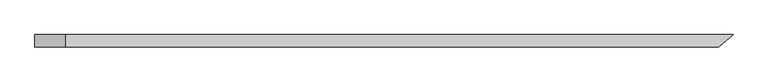
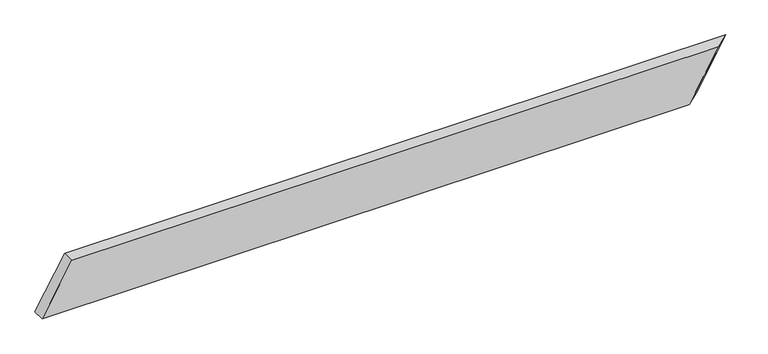
"""IFC4 building model written with IfcOpenShell, lengths in millimetres: beam geometry."""

from ifc_helpers import new_model, si_unit, origin, place, context, project, spatial, faceted_brep, source, transform, mapped, element, save


def beam_c6eda89b(model_context):
    return source(origin(), model_context, "Body", "Brep", [
        faceted_brep([(1308.3979461, -24.0, 100.0), (-1219.5161674, -24.0, 100.0), (-1336.1828341, -24.0, -100.0), (1191.7312794, -24.0, -100.0), (1363.967722, 24.0, 100.0), (1247.3010554, 24.0, -100.0), (-1336.1828341, 24.0, -100.0), (-1219.5161674, 24.0, 100.0)], [[[0, 1, 2, 3]], [[4, 5, 6, 7]], [[5, 4, 0, 3]], [[6, 5, 3, 2]], [[7, 6, 2, 1]], [[4, 7, 1, 0]]]),
    ])


if __name__ == "__main__":
    model = new_model("IFC4")
    model_context = context("Model", 3, world=origin())
    ifc_project = project(units=[si_unit("LENGTHUNIT", "METRE", prefix="MILLI")], contexts=[model_context])
    site = spatial("IfcSite", under=ifc_project)
    building = spatial("IfcBuilding", under=site)
    placement = place(None, origin())
    beam_shape = beam_c6eda89b(model_context)
    element("IfcBeam", 1, at=placement, inside=building, context=model_context, shape_type="MappedRepresentation", body=[
        mapped(beam_shape, transform((0.0, 0.0, 0.0), x_axis=(1.0, 0.0, 0.0), y_axis=(0.0, 1.0, 0.0), z_axis=(0.0, 0.0, 1.0))),
    ])
    save(model, "model.ifc")
